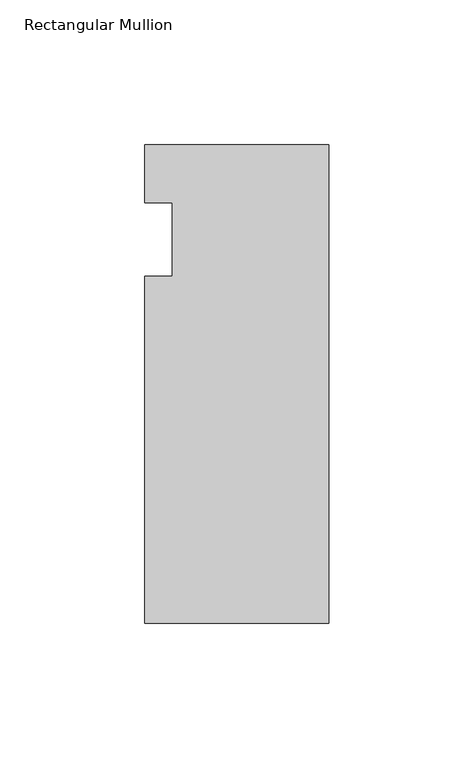
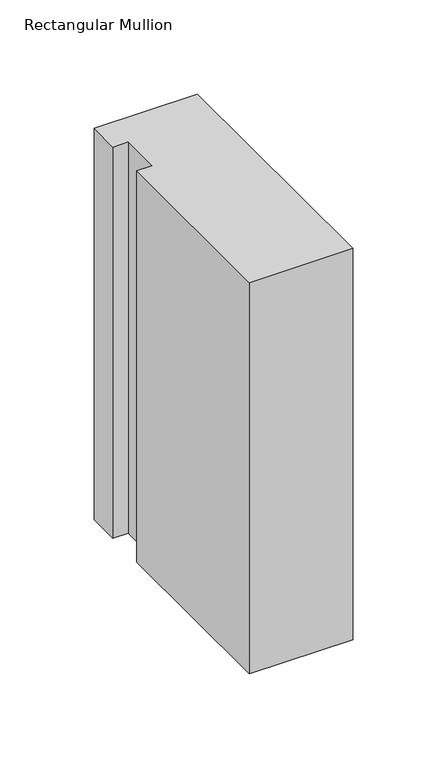
"""IFC4 building model written with IfcOpenShell, lengths in millimetres: member geometry, Rectangular Mullion."""

from ifc_helpers import new_model, si_unit, frame, origin, place, context, project, spatial, polyline, outline, extrude, source, transform, mapped, element, save


def rectangular_mullion_7a3f2694(model_context):
    return source(origin(), model_context, "Body", "SweptSolid", [
        extrude(outline(polyline([(-63.5, 20.0421875), (0.0, 20.0421875), (0.0, -145.0578125), (-63.5, -145.0578125), (-63.5, -25.4), (-53.975, -25.4), (-53.975, 0.0), (-63.5, 0.0), (-63.5, 20.0421875)])), frame((0.0, 0.0, -254.0), z_axis=(0.0, 0.0, 1.0), x_axis=(1.0, 0.0, 0.0)), (0.0, 0.0, 1.0), 254.0),
    ])


if __name__ == "__main__":
    model = new_model("IFC4")
    model_context = context("Model", 3, world=origin())
    ifc_project = project(units=[si_unit("LENGTHUNIT", "METRE", prefix="MILLI")], contexts=[model_context])
    site = spatial("IfcSite", under=ifc_project)
    building = spatial("IfcBuilding", under=site)
    placement = place(None, origin())
    rectangular_mullion_shape = rectangular_mullion_7a3f2694(model_context)
    element("IfcMember", 1, ObjectType="Rectangular Mullion", at=placement, inside=building, context=model_context, shape_type="MappedRepresentation", body=[
        mapped(rectangular_mullion_shape, transform((0.0, 0.0, 0.0), x_axis=(1.0, 0.0, 0.0), y_axis=(0.0, 1.0, 0.0), z_axis=(0.0, 0.0, 1.0))),
    ])
    save(model, "model.ifc")
